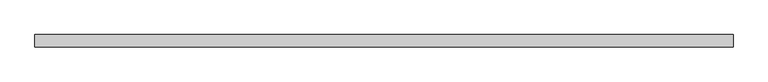
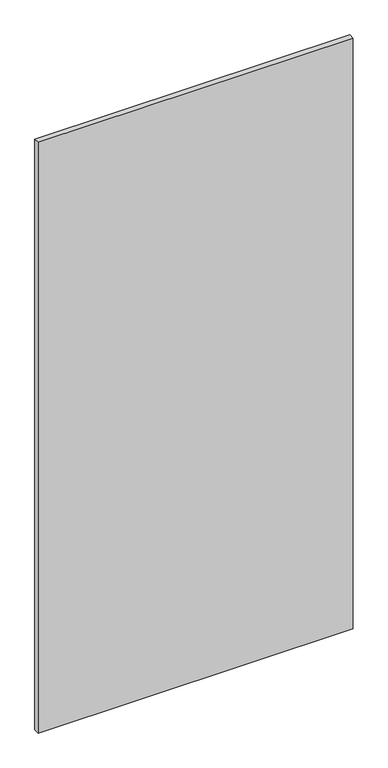
"""IFC4 building model written with IfcOpenShell, lengths in millimetres: proxy geometry."""

from ifc_helpers import new_model, si_unit, frame, origin, place, context, project, spatial, polyline, outline, extrude, source, transform, mapped, element, save


def specialty_equipment_b20ee90d(model_context):
    return source(origin(), model_context, "Body", "SweptSolid", [
        extrude(outline(polyline([(536.7561264, -9.525), (-536.7561264, -9.525), (-536.7561264, 9.525), (536.7561264, 9.525), (536.7561264, -9.525)])), frame((0.0, 0.0, 3.175), z_axis=(0.0, 0.0, 1.0), x_axis=(1.0, 0.0, 0.0)), (0.0, 0.0, 1.0), 2127.25),
    ])


if __name__ == "__main__":
    model = new_model("IFC4")
    model_context = context("Model", 3, world=origin())
    ifc_project = project(units=[si_unit("LENGTHUNIT", "METRE", prefix="MILLI")], contexts=[model_context])
    site = spatial("IfcSite", under=ifc_project)
    building = spatial("IfcBuilding", under=site)
    placement = place(None, origin())
    specialty_equipment_shape = specialty_equipment_b20ee90d(model_context)
    element("IfcBuildingElementProxy", 1, Name="Specialty Equipment", at=placement, inside=building, context=model_context, shape_type="MappedRepresentation", body=[
        mapped(specialty_equipment_shape, transform((0.0, 0.0, 0.0), x_axis=(1.0, 0.0, 0.0), y_axis=(0.0, 1.0, 0.0), z_axis=(0.0, 0.0, 1.0))),
    ])
    save(model, "model.ifc")
